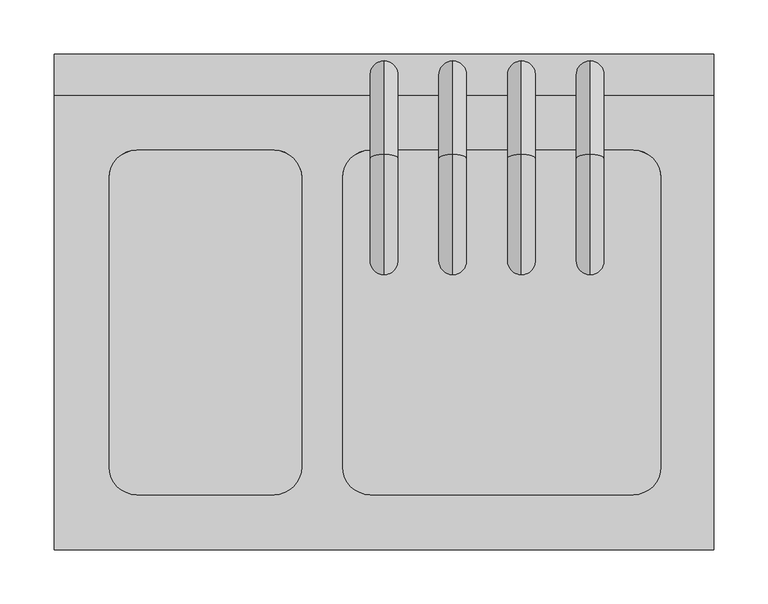
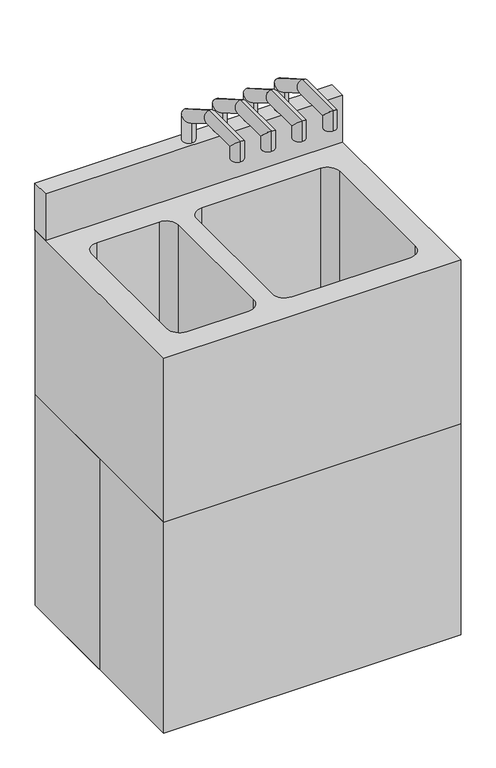
"""IFC4 building model written with IfcOpenShell, lengths in millimetres: proxy geometry."""

from ifc_helpers import new_model, si_unit, frame, origin, origin_with_axes, place, context, project, spatial, polyline, circle_curve, ellipse_curve, outline, extrude, source, transform, mapped, element, save
from ifc_brep_helpers import plane_surface, cylinder_surface, revolved_surface, advanced_brep


def specialty_equipment_0f6b3275(model_context):
    return source(origin(), model_context, "Body", "SolidModel", [
        advanced_brep(
        [(-101.6, 140.6728143, 517.8071162), (-228.6, 140.6728143, 517.8071162), (-254.0, 115.2728143, 517.8071162), (-254.0, -152.4, 517.8071162), (-228.6, -177.8, 517.8071162), (-101.6, -177.8, 517.8071162), (-76.2, -152.4, 517.8071162), (-76.2, 115.2728143, 517.8071162), (-101.6, 140.6728143, 812.8), (-228.6, 140.6728143, 812.8), (-254.0, 115.2728143, 812.8), (-254.0, -152.4, 812.8), (-228.6, -177.8, 812.8), (-101.6, -177.8, 812.8), (-76.2, -152.4, 812.8), (-76.2, 115.2728143, 812.8), (230.3536757, 140.6728143, 517.8071162), (-12.7, 140.6728143, 517.8071162), (-38.1, 115.2728143, 517.8071162), (-38.1, -152.4, 517.8071162), (-12.7, -177.8, 517.8071162), (230.3536757, -177.8, 517.8071162), (255.7536757, -152.4, 517.8071162), (255.7536757, 115.2728143, 517.8071162), (230.3536757, 140.6728143, 812.8), (-12.7, 140.6728143, 812.8), (-38.1, 115.2728143, 812.8), (-38.1, -152.4, 812.8), (-12.7, -177.8, 812.8), (230.3536757, -177.8, 812.8), (255.7536757, -152.4, 812.8), (255.7536757, 115.2728143, 812.8), (304.8, 228.6, 812.8), (-304.8, 228.6, 812.8), (-304.8, -228.6, 812.8), (304.8, -228.6, 812.8), (304.8, 228.6, 457.2), (304.8, -228.6, 457.2), (-304.8, -228.6, 457.2), (-304.8, 228.6, 457.2)],
        [
            (0, 1),
            (1, 2, circle_curve(frame((-228.6, 115.2728143, 517.8071162), z_axis=(0.0, 0.0, 1.0), x_axis=(1.0, 0.0, 0.0)), 25.4)),
            (2, 3),
            (3, 4, circle_curve(frame((-228.6, -152.4, 517.8071162), z_axis=(0.0, 0.0, 1.0), x_axis=(1.0, 0.0, 0.0)), 25.4)),
            (4, 5),
            (5, 6, circle_curve(frame((-101.6, -152.4, 517.8071162), z_axis=(0.0, 0.0, 1.0), x_axis=(1.0, 0.0, 0.0)), 25.4)),
            (6, 7),
            (7, 0, circle_curve(frame((-101.6, 115.2728143, 517.8071162), z_axis=(0.0, 0.0, 1.0), x_axis=(1.0, 0.0, 0.0)), 25.4)),
            (0, 8),
            (8, 9),
            (9, 1),
            (9, 10, circle_curve(frame((-228.6, 115.2728143, 812.8), z_axis=(0.0, 0.0, 1.0), x_axis=(1.0, 0.0, 0.0)), 25.4)),
            (10, 2),
            (10, 11),
            (11, 3),
            (11, 12, circle_curve(frame((-228.6, -152.4, 812.8), z_axis=(0.0, 0.0, 1.0), x_axis=(1.0, 0.0, 0.0)), 25.4)),
            (12, 4),
            (12, 13),
            (13, 5),
            (13, 14, circle_curve(frame((-101.6, -152.4, 812.8), z_axis=(0.0, 0.0, 1.0), x_axis=(1.0, 0.0, 0.0)), 25.4)),
            (14, 6),
            (14, 15),
            (15, 7),
            (15, 8, circle_curve(frame((-101.6, 115.2728143, 812.8), z_axis=(0.0, 0.0, 1.0), x_axis=(1.0, 0.0, 0.0)), 25.4)),
            (16, 17),
            (17, 18, circle_curve(frame((-12.7, 115.2728143, 517.8071162), z_axis=(0.0, 0.0, 1.0), x_axis=(1.0, 0.0, 0.0)), 25.4)),
            (18, 19),
            (19, 20, circle_curve(frame((-12.7, -152.4, 517.8071162), z_axis=(0.0, 0.0, 1.0), x_axis=(1.0, 0.0, 0.0)), 25.4)),
            (20, 21),
            (21, 22, circle_curve(frame((230.3536757, -152.4, 517.8071162), z_axis=(0.0, 0.0, 1.0), x_axis=(1.0, 0.0, 0.0)), 25.4)),
            (22, 23),
            (23, 16, circle_curve(frame((230.3536757, 115.2728143, 517.8071162), z_axis=(0.0, 0.0, 1.0), x_axis=(1.0, 0.0, 0.0)), 25.4)),
            (16, 24),
            (24, 25),
            (25, 17),
            (25, 26, circle_curve(frame((-12.7, 115.2728143, 812.8), z_axis=(0.0, 0.0, 1.0), x_axis=(1.0, 0.0, 0.0)), 25.4)),
            (26, 18),
            (26, 27),
            (27, 19),
            (27, 28, circle_curve(frame((-12.7, -152.4, 812.8), z_axis=(0.0, 0.0, 1.0), x_axis=(1.0, 0.0, 0.0)), 25.4)),
            (28, 20),
            (28, 29),
            (29, 21),
            (29, 30, circle_curve(frame((230.3536757, -152.4, 812.8), z_axis=(0.0, 0.0, 1.0), x_axis=(1.0, 0.0, 0.0)), 25.4)),
            (30, 22),
            (30, 31),
            (31, 23),
            (31, 24, circle_curve(frame((230.3536757, 115.2728143, 812.8), z_axis=(0.0, 0.0, 1.0), x_axis=(1.0, 0.0, 0.0)), 25.4)),
            (32, 33),
            (33, 34),
            (34, 35),
            (35, 32),
            (36, 37),
            (37, 38),
            (38, 39),
            (39, 36),
            (32, 36),
            (39, 33),
            (38, 34),
            (37, 35),
        ],
        [
            plane_surface(frame((-228.6, 140.6728143, 517.8071162), z_axis=(0.0, 0.0, 1.0), x_axis=(1.0, 0.0, 0.0))),
            plane_surface(frame((-101.6, 140.6728143, 812.8), z_axis=(0.0, -1.0, 0.0), x_axis=(0.0, 0.0, -1.0))),
            revolved_surface(polyline([(-203.2, 115.2728143, 812.8), (-203.2, 115.2728143, 517.8071162)]), (-228.6, 115.2728143, 517.8071162), (0.0, 0.0, 1.0)),
            plane_surface(frame((-254.0, 115.2728143, 812.8), z_axis=(1.0, 0.0, 0.0), x_axis=(0.0, 0.0, -1.0))),
            revolved_surface(polyline([(-203.2, -152.4, 812.8), (-203.2, -152.4, 517.8071162)]), (-228.6, -152.4, 517.8071162), (0.0, 0.0, 1.0)),
            plane_surface(frame((-228.6, -177.8, 812.8), z_axis=(0.0, 1.0, 0.0), x_axis=(0.0, 0.0, -1.0))),
            revolved_surface(polyline([(-76.19999999999999, -152.4, 812.8), (-76.19999999999999, -152.4, 517.8071162)]), (-101.6, -152.4, 517.8071162), (0.0, 0.0, 1.0)),
            plane_surface(frame((-76.2, -152.4, 812.8), z_axis=(-1.0, 0.0, 0.0), x_axis=(0.0, 0.0, -1.0))),
            revolved_surface(polyline([(-76.19999999999999, 115.2728143, 812.8), (-76.19999999999999, 115.2728143, 517.8071162)]), (-101.6, 115.2728143, 517.8071162), (0.0, 0.0, 1.0)),
            plane_surface(frame((-12.7, 140.6728143, 517.8071162), z_axis=(0.0, 0.0, 1.0), x_axis=(1.0, 0.0, 0.0))),
            plane_surface(frame((230.3536757, 140.6728143, 812.8), z_axis=(0.0, -1.0, 0.0), x_axis=(0.0, 0.0, -1.0))),
            revolved_surface(polyline([(12.7, 115.2728143, 812.8), (12.7, 115.2728143, 517.8071162)]), (-12.7, 115.2728143, 517.8071162), (0.0, 0.0, 1.0)),
            plane_surface(frame((-38.1, 115.2728143, 812.8), z_axis=(1.0, 0.0, 0.0), x_axis=(0.0, 0.0, -1.0))),
            revolved_surface(polyline([(12.7, -152.4, 812.8), (12.7, -152.4, 517.8071162)]), (-12.7, -152.4, 517.8071162), (0.0, 0.0, 1.0)),
            plane_surface(frame((-12.7, -177.8, 812.8), z_axis=(0.0, 1.0, 0.0), x_axis=(0.0, 0.0, -1.0))),
            revolved_surface(polyline([(255.7536757, -152.4, 812.8), (255.7536757, -152.4, 517.8071162)]), (230.3536757, -152.4, 517.8071162), (0.0, 0.0, 1.0)),
            plane_surface(frame((255.7536757, -152.4, 812.8), z_axis=(-1.0, 0.0, 0.0), x_axis=(0.0, 0.0, -1.0))),
            revolved_surface(polyline([(255.7536757, 115.2728143, 812.8), (255.7536757, 115.2728143, 517.8071162)]), (230.3536757, 115.2728143, 517.8071162), (0.0, 0.0, 1.0)),
            plane_surface(frame((-304.8, 228.6, 812.8), z_axis=(0.0, 0.0, 1.0), x_axis=(-1.0, 0.0, 0.0))),
            plane_surface(frame((-304.8, 228.6, 457.2), z_axis=(0.0, 0.0, -1.0), x_axis=(1.0, 0.0, 0.0))),
            plane_surface(frame((304.8, 228.6, 812.8), z_axis=(0.0, 1.0, 0.0), x_axis=(0.0, 0.0, -1.0))),
            plane_surface(frame((-304.8, 228.6, 812.8), z_axis=(-1.0, 0.0, 0.0), x_axis=(0.0, 0.0, -1.0))),
            plane_surface(frame((-304.8, -228.6, 812.8), z_axis=(0.0, -1.0, 0.0), x_axis=(0.0, 0.0, -1.0))),
            plane_surface(frame((304.8, -228.6, 812.8), z_axis=(1.0, 0.0, 0.0), x_axis=(0.0, 0.0, -1.0))),
        ],
        [
            (0, [[1, 2, 3, 4, 5, 6, 7, 8]]),
            (1, [[-1, 9, 10, 11]]),
            (2, [[-2, -11, 12, 13]]),
            (3, [[-3, -13, 14, 15]]),
            (4, [[-4, -15, 16, 17]]),
            (5, [[-5, -17, 18, 19]]),
            (6, [[-6, -19, 20, 21]]),
            (7, [[-7, -21, 22, 23]]),
            (8, [[-8, -23, 24, -9]]),
            (9, [[25, 26, 27, 28, 29, 30, 31, 32]]),
            (10, [[-25, 33, 34, 35]]),
            (11, [[-26, -35, 36, 37]]),
            (12, [[-27, -37, 38, 39]]),
            (13, [[-28, -39, 40, 41]]),
            (14, [[-29, -41, 42, 43]]),
            (15, [[-30, -43, 44, 45]]),
            (16, [[-31, -45, 46, 47]]),
            (17, [[-32, -47, 48, -33]]),
            (18, [[49, 50, 51, 52], [-10, -24, -22, -20, -18, -16, -14, -12], [-34, -48, -46, -44, -42, -40, -38, -36]]),
            (19, [[53, 54, 55, 56]]),
            (20, [[-49, 57, -56, 58]]),
            (21, [[-50, -58, -55, 59]]),
            (22, [[-51, -59, -54, 60]]),
            (23, [[-52, -60, -53, -57]]),
        ],
    ),
        advanced_brep(
        [(-304.8, 228.6, 736.6), (-304.8, 0.0, 736.6), (-304.8, -228.6, 736.6), (304.8, -228.6, 736.6), (304.8, 228.6, 736.6), (-228.6, 140.6728143, 736.6), (-101.6, 140.6728143, 736.6), (-76.2, 115.2728143, 736.6), (-76.2, -152.4, 736.6), (-101.6, -177.8, 736.6), (-228.6, -177.8, 736.6), (-254.0, -152.4, 736.6), (-254.0, 115.2728143, 736.6), (-12.7, 140.6728143, 736.6), (230.3536757, 140.6728143, 736.6), (255.7536757, 115.2728143, 736.6), (255.7536757, -152.4, 736.6), (230.3536757, -177.8, 736.6), (-12.7, -177.8, 736.6), (-38.1, -152.4, 736.6), (-38.1, 115.2728143, 736.6), (-304.8, 228.6, 0.0), (304.8, 228.6, 0.0), (304.8, -228.6, 0.0), (-304.8, -228.6, 0.0), (-304.8, 0.0, 0.0), (-101.6, 140.6728143, 517.8071162), (-228.6, 140.6728143, 517.8071162), (-254.0, 115.2728143, 517.8071162), (-254.0, -152.4, 517.8071162), (-228.6, -177.8, 517.8071162), (-101.6, -177.8, 517.8071162), (-76.2, -152.4, 517.8071162), (-76.2, 115.2728143, 517.8071162), (230.3536757, 140.6728143, 517.8071162), (-12.7, 140.6728143, 517.8071162), (-38.1, 115.2728143, 517.8071162), (-38.1, -152.4, 517.8071162), (-12.7, -177.8, 517.8071162), (230.3536757, -177.8, 517.8071162), (255.7536757, -152.4, 517.8071162), (255.7536757, 115.2728143, 517.8071162)],
        [
            (0, 1),
            (1, 2),
            (2, 3),
            (3, 4),
            (4, 0),
            (5, 6),
            (6, 7, circle_curve(frame((-101.6, 115.2728143, 736.6), z_axis=(0.0, 0.0, -1.0), x_axis=(1.0, 0.0, 0.0)), 25.4)),
            (7, 8),
            (8, 9, circle_curve(frame((-101.6, -152.4, 736.6), z_axis=(0.0, 0.0, -1.0), x_axis=(1.0, 0.0, 0.0)), 25.4)),
            (9, 10),
            (10, 11, circle_curve(frame((-228.6, -152.4, 736.6), z_axis=(0.0, 0.0, -1.0), x_axis=(1.0, 0.0, 0.0)), 25.4)),
            (11, 12),
            (12, 5, circle_curve(frame((-228.6, 115.2728143, 736.6), z_axis=(0.0, 0.0, -1.0), x_axis=(1.0, 0.0, 0.0)), 25.4)),
            (13, 14),
            (14, 15, circle_curve(frame((230.3536757, 115.2728143, 736.6), z_axis=(0.0, 0.0, -1.0), x_axis=(1.0, 0.0, 0.0)), 25.4)),
            (15, 16),
            (16, 17, circle_curve(frame((230.3536757, -152.4, 736.6), z_axis=(0.0, 0.0, -1.0), x_axis=(1.0, 0.0, 0.0)), 25.4)),
            (17, 18),
            (18, 19, circle_curve(frame((-12.7, -152.4, 736.6), z_axis=(0.0, 0.0, -1.0), x_axis=(1.0, 0.0, 0.0)), 25.4)),
            (19, 20),
            (20, 13, circle_curve(frame((-12.7, 115.2728143, 736.6), z_axis=(0.0, 0.0, -1.0), x_axis=(1.0, 0.0, 0.0)), 25.4)),
            (21, 22),
            (22, 23),
            (23, 24),
            (24, 25),
            (25, 21),
            (0, 21),
            (25, 1),
            (24, 2),
            (23, 3),
            (22, 4),
            (26, 27),
            (27, 28, circle_curve(frame((-228.6, 115.2728143, 517.8071162), z_axis=(0.0, 0.0, 1.0), x_axis=(1.0, 0.0, 0.0)), 25.4)),
            (28, 29),
            (29, 30, circle_curve(frame((-228.6, -152.4, 517.8071162), z_axis=(0.0, 0.0, 1.0), x_axis=(1.0, 0.0, 0.0)), 25.4)),
            (30, 31),
            (31, 32, circle_curve(frame((-101.6, -152.4, 517.8071162), z_axis=(0.0, 0.0, 1.0), x_axis=(1.0, 0.0, 0.0)), 25.4)),
            (32, 33),
            (33, 26, circle_curve(frame((-101.6, 115.2728143, 517.8071162), z_axis=(0.0, 0.0, 1.0), x_axis=(1.0, 0.0, 0.0)), 25.4)),
            (26, 6),
            (5, 27),
            (12, 28),
            (11, 29),
            (10, 30),
            (9, 31),
            (8, 32),
            (7, 33),
            (34, 35),
            (35, 36, circle_curve(frame((-12.7, 115.2728143, 517.8071162), z_axis=(0.0, 0.0, 1.0), x_axis=(1.0, 0.0, 0.0)), 25.4)),
            (36, 37),
            (37, 38, circle_curve(frame((-12.7, -152.4, 517.8071162), z_axis=(0.0, 0.0, 1.0), x_axis=(1.0, 0.0, 0.0)), 25.4)),
            (38, 39),
            (39, 40, circle_curve(frame((230.3536757, -152.4, 517.8071162), z_axis=(0.0, 0.0, 1.0), x_axis=(1.0, 0.0, 0.0)), 25.4)),
            (40, 41),
            (41, 34, circle_curve(frame((230.3536757, 115.2728143, 517.8071162), z_axis=(0.0, 0.0, 1.0), x_axis=(1.0, 0.0, 0.0)), 25.4)),
            (34, 14),
            (13, 35),
            (20, 36),
            (19, 37),
            (18, 38),
            (17, 39),
            (16, 40),
            (15, 41),
        ],
        [
            plane_surface(frame((-304.8, 0.0, 736.6), z_axis=(0.0, 0.0, 1.0), x_axis=(0.0, -1.0, 0.0))),
            plane_surface(frame((-304.8, 0.0, 0.0), z_axis=(0.0, 0.0, -1.0), x_axis=(0.0, 1.0, 0.0))),
            plane_surface(frame((-304.8, 228.6, 736.6), z_axis=(-1.0, 0.0, 0.0), x_axis=(0.0, 0.0, -1.0))),
            plane_surface(frame((-304.8, 0.0, 736.6), z_axis=(-1.0, 0.0, 0.0), x_axis=(0.0, 0.0, -1.0))),
            plane_surface(frame((-304.8, -228.6, 736.6), z_axis=(0.0, -1.0, 0.0), x_axis=(0.0, 0.0, -1.0))),
            plane_surface(frame((304.8, -228.6, 736.6), z_axis=(1.0, 0.0, 0.0), x_axis=(0.0, 0.0, -1.0))),
            plane_surface(frame((304.8, 228.6, 736.6), z_axis=(0.0, 1.0, 0.0), x_axis=(0.0, 0.0, -1.0))),
            plane_surface(frame((-228.6, 140.6728143, 517.8071162), z_axis=(0.0, 0.0, 1.0), x_axis=(1.0, 0.0, 0.0))),
            plane_surface(frame((-101.6, 140.6728143, 812.8), z_axis=(0.0, -1.0, 0.0), x_axis=(0.0, 0.0, -1.0))),
            revolved_surface(polyline([(-203.2, 115.2728143, 736.6), (-203.2, 115.2728143, 517.8071162)]), (-228.6, 115.2728143, 517.8071162), (0.0, 0.0, 1.0)),
            plane_surface(frame((-254.0, 115.2728143, 812.8), z_axis=(1.0, 0.0, 0.0), x_axis=(0.0, 0.0, -1.0))),
            revolved_surface(polyline([(-203.2, -152.4, 736.6), (-203.2, -152.4, 517.8071162)]), (-228.6, -152.4, 517.8071162), (0.0, 0.0, 1.0)),
            plane_surface(frame((-228.6, -177.8, 812.8), z_axis=(0.0, 1.0, 0.0), x_axis=(0.0, 0.0, -1.0))),
            revolved_surface(polyline([(-76.19999999999999, -152.4, 736.6), (-76.19999999999999, -152.4, 517.8071162)]), (-101.6, -152.4, 517.8071162), (0.0, 0.0, 1.0)),
            plane_surface(frame((-76.2, -152.4, 812.8), z_axis=(-1.0, 0.0, 0.0), x_axis=(0.0, 0.0, -1.0))),
            revolved_surface(polyline([(-76.19999999999999, 115.2728143, 736.6), (-76.19999999999999, 115.2728143, 517.8071162)]), (-101.6, 115.2728143, 517.8071162), (0.0, 0.0, 1.0)),
            plane_surface(frame((-12.7, 140.6728143, 517.8071162), z_axis=(0.0, 0.0, 1.0), x_axis=(1.0, 0.0, 0.0))),
            plane_surface(frame((230.3536757, 140.6728143, 812.8), z_axis=(0.0, -1.0, 0.0), x_axis=(0.0, 0.0, -1.0))),
            revolved_surface(polyline([(12.7, 115.2728143, 736.6), (12.7, 115.2728143, 517.8071162)]), (-12.7, 115.2728143, 517.8071162), (0.0, 0.0, 1.0)),
            plane_surface(frame((-38.1, 115.2728143, 812.8), z_axis=(1.0, 0.0, 0.0), x_axis=(0.0, 0.0, -1.0))),
            revolved_surface(polyline([(12.7, -152.4, 736.6), (12.7, -152.4, 517.8071162)]), (-12.7, -152.4, 517.8071162), (0.0, 0.0, 1.0)),
            plane_surface(frame((-12.7, -177.8, 812.8), z_axis=(0.0, 1.0, 0.0), x_axis=(0.0, 0.0, -1.0))),
            revolved_surface(polyline([(255.7536757, -152.4, 736.6), (255.7536757, -152.4, 517.8071162)]), (230.3536757, -152.4, 517.8071162), (0.0, 0.0, 1.0)),
            plane_surface(frame((255.7536757, -152.4, 812.8), z_axis=(-1.0, 0.0, 0.0), x_axis=(0.0, 0.0, -1.0))),
            revolved_surface(polyline([(255.7536757, 115.2728143, 736.6), (255.7536757, 115.2728143, 517.8071162)]), (230.3536757, 115.2728143, 517.8071162), (0.0, 0.0, 1.0)),
        ],
        [
            (0, [[1, 2, 3, 4, 5], [6, 7, 8, 9, 10, 11, 12, 13], [14, 15, 16, 17, 18, 19, 20, 21]]),
            (1, [[22, 23, 24, 25, 26]]),
            (2, [[-1, 27, -26, 28]]),
            (3, [[-2, -28, -25, 29]]),
            (4, [[-3, -29, -24, 30]]),
            (5, [[-4, -30, -23, 31]]),
            (6, [[-5, -31, -22, -27]]),
            (7, [[32, 33, 34, 35, 36, 37, 38, 39]]),
            (8, [[-32, 40, -6, 41]]),
            (9, [[-33, -41, -13, 42]]),
            (10, [[-34, -42, -12, 43]]),
            (11, [[-35, -43, -11, 44]]),
            (12, [[-36, -44, -10, 45]]),
            (13, [[-37, -45, -9, 46]]),
            (14, [[-38, -46, -8, 47]]),
            (15, [[-39, -47, -7, -40]]),
            (16, [[48, 49, 50, 51, 52, 53, 54, 55]]),
            (17, [[-48, 56, -14, 57]]),
            (18, [[-49, -57, -21, 58]]),
            (19, [[-50, -58, -20, 59]]),
            (20, [[-51, -59, -19, 60]]),
            (21, [[-52, -60, -18, 61]]),
            (22, [[-53, -61, -17, 62]]),
            (23, [[-54, -62, -16, 63]]),
            (24, [[-55, -63, -15, -56]]),
        ],
    ),
        advanced_brep(
        [(190.5, 223.2228143, 914.4), (190.5, 197.8228143, 914.4), (190.5, 223.2228143, 972.5323484), (190.5, 197.8228143, 957.8676516), (190.5, 136.9361106, 1022.35), (190.5, 130.1302011, 996.95), (190.5, 25.5831559, 1022.35), (190.5, 50.9831559, 996.95), (190.5, 25.5831559, 977.9), (190.5, 50.9831559, 977.9)],
        [
            (0, 1, circle_curve(frame((190.5, 210.5228143, 914.4), z_axis=(0.0, 0.0, -1.0), x_axis=(0.0, -1.0, 0.0)), 12.7)),
            (1, 0, circle_curve(frame((190.5, 210.5228143, 914.4), z_axis=(0.0, 0.0, -1.0), x_axis=(0.0, -1.0, 0.0)), 12.7)),
            (0, 2),
            (2, 3, ellipse_curve(frame((190.5, 210.5228143, 965.2), z_axis=(0.0, 0.4999999999999985, -0.8660254037844396), x_axis=(0.0, -0.8660254037844398, -0.4999999999999982)), 14.6646968, 12.7)),
            (3, 1),
            (3, 2, ellipse_curve(frame((190.5, 210.5228143, 965.2), z_axis=(0.0, 0.4999999999999985, -0.8660254037844396), x_axis=(0.0, -0.8660254037844398, -0.4999999999999982)), 14.6646968, 12.7)),
            (2, 4),
            (4, 5, ellipse_curve(frame((190.5, 133.5331559, 1009.65), z_axis=(0.0, 0.9659258262890676, -0.2588190451025233), x_axis=(0.0, -0.25881904510252374, -0.9659258262890675)), 13.1480075, 12.7)),
            (5, 3),
            (5, 4, ellipse_curve(frame((190.5, 133.5331559, 1009.65), z_axis=(0.0, 0.9659258262890676, -0.2588190451025233), x_axis=(0.0, -0.25881904510252374, -0.9659258262890675)), 13.1480075, 12.7)),
            (4, 6),
            (6, 7, ellipse_curve(frame((190.5, 38.2831559, 1009.65), z_axis=(0.0, 0.7071067811865495, 0.7071067811865456), x_axis=(0.0, 0.7071067811865456, -0.7071067811865493)), 17.9605122, 12.7)),
            (7, 5),
            (7, 6, ellipse_curve(frame((190.5, 38.2831559, 1009.65), z_axis=(0.0, 0.7071067811865495, 0.7071067811865456), x_axis=(0.0, 0.7071067811865456, -0.7071067811865493)), 17.9605122, 12.7)),
            (8, 9, circle_curve(frame((190.5, 38.2831559, 977.9), z_axis=(0.0, 0.0, -1.0), x_axis=(0.0, 1.0, 0.0)), 12.7)),
            (9, 8, circle_curve(frame((190.5, 38.2831559, 977.9), z_axis=(0.0, 0.0, -1.0), x_axis=(0.0, 1.0, 0.0)), 12.7)),
            (6, 8),
            (9, 7),
        ],
        [
            plane_surface(frame((190.5, 210.5228143, 914.4), z_axis=(0.0, 0.0, -1.0), x_axis=(1.0, 0.0, 0.0))),
            cylinder_surface(frame((190.5, 210.5228143, 914.4), z_axis=(0.0, 0.0, -1.0), x_axis=(0.0, -1.0, 0.0)), 12.7),
            cylinder_surface(frame((190.5, 210.5228143, 965.2), z_axis=(0.0, 0.8660254037844376, -0.500000000000002), x_axis=(0.0, -0.500000000000002, -0.8660254037844376)), 12.7),
            cylinder_surface(frame((190.5, 133.5331559, 1009.65), z_axis=(0.0, 1.0, 0.0), x_axis=(0.0, 0.0, -1.0)), 12.7),
            plane_surface(frame((190.5, 38.2831559, 977.9), z_axis=(0.0, 0.0, -1.0), x_axis=(1.0, 0.0, 0.0))),
            cylinder_surface(frame((190.5, 38.2831559, 1009.65), z_axis=(0.0, 0.0, 1.0), x_axis=(0.0, 1.0, 0.0)), 12.7),
        ],
        [
            (0, [[1, 2]]),
            (1, [[-1, 3, 4, 5]]),
            (1, [[-2, -5, 6, -3]]),
            (2, [[-4, 7, 8, 9]]),
            (2, [[-6, -9, 10, -7]]),
            (3, [[-8, 11, 12, 13]]),
            (3, [[-10, -13, 14, -11]]),
            (4, [[15, 16]]),
            (5, [[-12, 17, -16, 18]]),
            (5, [[-14, -18, -15, -17]]),
        ],
    ),
        advanced_brep(
        [(127.0, 223.2228143, 914.4), (127.0, 197.8228143, 914.4), (127.0, 223.2228143, 972.5323484), (127.0, 197.8228143, 957.8676516), (127.0, 136.9361106, 1022.35), (127.0, 130.1302011, 996.95), (127.0, 25.5831559, 1022.35), (127.0, 50.9831559, 996.95), (127.0, 25.5831559, 977.9), (127.0, 50.9831559, 977.9)],
        [
            (0, 1, circle_curve(frame((127.0, 210.5228143, 914.4), z_axis=(0.0, 0.0, -1.0), x_axis=(0.0, -1.0, 0.0)), 12.7)),
            (1, 0, circle_curve(frame((127.0, 210.5228143, 914.4), z_axis=(0.0, 0.0, -1.0), x_axis=(0.0, -1.0, 0.0)), 12.7)),
            (0, 2),
            (2, 3, ellipse_curve(frame((127.0, 210.5228143, 965.2), z_axis=(0.0, 0.4999999999999985, -0.8660254037844396), x_axis=(0.0, -0.8660254037844398, -0.4999999999999982)), 14.6646968, 12.7)),
            (3, 1),
            (3, 2, ellipse_curve(frame((127.0, 210.5228143, 965.2), z_axis=(0.0, 0.4999999999999985, -0.8660254037844396), x_axis=(0.0, -0.8660254037844398, -0.4999999999999982)), 14.6646968, 12.7)),
            (2, 4),
            (4, 5, ellipse_curve(frame((127.0, 133.5331559, 1009.65), z_axis=(0.0, 0.9659258262890676, -0.2588190451025233), x_axis=(0.0, -0.25881904510252374, -0.9659258262890675)), 13.1480075, 12.7)),
            (5, 3),
            (5, 4, ellipse_curve(frame((127.0, 133.5331559, 1009.65), z_axis=(0.0, 0.9659258262890676, -0.2588190451025233), x_axis=(0.0, -0.25881904510252374, -0.9659258262890675)), 13.1480075, 12.7)),
            (4, 6),
            (6, 7, ellipse_curve(frame((127.0, 38.2831559, 1009.65), z_axis=(0.0, 0.7071067811865495, 0.7071067811865456), x_axis=(0.0, 0.7071067811865456, -0.7071067811865493)), 17.9605122, 12.7)),
            (7, 5),
            (7, 6, ellipse_curve(frame((127.0, 38.2831559, 1009.65), z_axis=(0.0, 0.7071067811865495, 0.7071067811865456), x_axis=(0.0, 0.7071067811865456, -0.7071067811865493)), 17.9605122, 12.7)),
            (8, 9, circle_curve(frame((127.0, 38.2831559, 977.9), z_axis=(0.0, 0.0, -1.0), x_axis=(0.0, 1.0, 0.0)), 12.7)),
            (9, 8, circle_curve(frame((127.0, 38.2831559, 977.9), z_axis=(0.0, 0.0, -1.0), x_axis=(0.0, 1.0, 0.0)), 12.7)),
            (6, 8),
            (9, 7),
        ],
        [
            plane_surface(frame((127.0, 210.5228143, 914.4), z_axis=(0.0, 0.0, -1.0), x_axis=(1.0, 0.0, 0.0))),
            cylinder_surface(frame((127.0, 210.5228143, 914.4), z_axis=(0.0, 0.0, -1.0), x_axis=(0.0, -1.0, 0.0)), 12.7),
            cylinder_surface(frame((127.0, 210.5228143, 965.2), z_axis=(0.0, 0.8660254037844376, -0.500000000000002), x_axis=(0.0, -0.500000000000002, -0.8660254037844376)), 12.7),
            cylinder_surface(frame((127.0, 133.5331559, 1009.65), z_axis=(0.0, 1.0, 0.0), x_axis=(0.0, 0.0, -1.0)), 12.7),
            plane_surface(frame((127.0, 38.2831559, 977.9), z_axis=(0.0, 0.0, -1.0), x_axis=(1.0, 0.0, 0.0))),
            cylinder_surface(frame((127.0, 38.2831559, 1009.65), z_axis=(0.0, 0.0, 1.0), x_axis=(0.0, 1.0, 0.0)), 12.7),
        ],
        [
            (0, [[1, 2]]),
            (1, [[-1, 3, 4, 5]]),
            (1, [[-2, -5, 6, -3]]),
            (2, [[-4, 7, 8, 9]]),
            (2, [[-6, -9, 10, -7]]),
            (3, [[-8, 11, 12, 13]]),
            (3, [[-10, -13, 14, -11]]),
            (4, [[15, 16]]),
            (5, [[-12, 17, -16, 18]]),
            (5, [[-14, -18, -15, -17]]),
        ],
    ),
        advanced_brep(
        [(63.5, 223.2228143, 914.4), (63.5, 197.8228143, 914.4), (63.5, 223.2228143, 972.5323484), (63.5, 197.8228143, 957.8676516), (63.5, 136.9361106, 1022.35), (63.5, 130.1302011, 996.95), (63.5, 25.5831559, 1022.35), (63.5, 50.9831559, 996.95), (63.5, 25.5831559, 977.9), (63.5, 50.9831559, 977.9)],
        [
            (0, 1, circle_curve(frame((63.5, 210.5228143, 914.4), z_axis=(0.0, 0.0, -1.0), x_axis=(0.0, -1.0, 0.0)), 12.7)),
            (1, 0, circle_curve(frame((63.5, 210.5228143, 914.4), z_axis=(0.0, 0.0, -1.0), x_axis=(0.0, -1.0, 0.0)), 12.7)),
            (0, 2),
            (2, 3, ellipse_curve(frame((63.5, 210.5228143, 965.2), z_axis=(0.0, 0.4999999999999985, -0.8660254037844396), x_axis=(0.0, -0.8660254037844398, -0.4999999999999982)), 14.6646968, 12.7)),
            (3, 1),
            (3, 2, ellipse_curve(frame((63.5, 210.5228143, 965.2), z_axis=(0.0, 0.4999999999999985, -0.8660254037844396), x_axis=(0.0, -0.8660254037844398, -0.4999999999999982)), 14.6646968, 12.7)),
            (2, 4),
            (4, 5, ellipse_curve(frame((63.5, 133.5331559, 1009.65), z_axis=(0.0, 0.9659258262890676, -0.2588190451025233), x_axis=(0.0, -0.25881904510252374, -0.9659258262890675)), 13.1480075, 12.7)),
            (5, 3),
            (5, 4, ellipse_curve(frame((63.5, 133.5331559, 1009.65), z_axis=(0.0, 0.9659258262890676, -0.2588190451025233), x_axis=(0.0, -0.25881904510252374, -0.9659258262890675)), 13.1480075, 12.7)),
            (4, 6),
            (6, 7, ellipse_curve(frame((63.5, 38.2831559, 1009.65), z_axis=(0.0, 0.7071067811865495, 0.7071067811865456), x_axis=(0.0, 0.7071067811865456, -0.7071067811865493)), 17.9605122, 12.7)),
            (7, 5),
            (7, 6, ellipse_curve(frame((63.5, 38.2831559, 1009.65), z_axis=(0.0, 0.7071067811865495, 0.7071067811865456), x_axis=(0.0, 0.7071067811865456, -0.7071067811865493)), 17.9605122, 12.7)),
            (8, 9, circle_curve(frame((63.5, 38.2831559, 977.9), z_axis=(0.0, 0.0, -1.0), x_axis=(0.0, 1.0, 0.0)), 12.7)),
            (9, 8, circle_curve(frame((63.5, 38.2831559, 977.9), z_axis=(0.0, 0.0, -1.0), x_axis=(0.0, 1.0, 0.0)), 12.7)),
            (6, 8),
            (9, 7),
        ],
        [
            plane_surface(frame((63.5, 210.5228143, 914.4), z_axis=(0.0, 0.0, -1.0), x_axis=(1.0, 0.0, 0.0))),
            cylinder_surface(frame((63.5, 210.5228143, 914.4), z_axis=(0.0, 0.0, -1.0), x_axis=(0.0, -1.0, 0.0)), 12.7),
            cylinder_surface(frame((63.5, 210.5228143, 965.2), z_axis=(0.0, 0.8660254037844376, -0.500000000000002), x_axis=(0.0, -0.500000000000002, -0.8660254037844376)), 12.7),
            cylinder_surface(frame((63.5, 133.5331559, 1009.65), z_axis=(0.0, 1.0, 0.0), x_axis=(0.0, 0.0, -1.0)), 12.7),
            plane_surface(frame((63.5, 38.2831559, 977.9), z_axis=(0.0, 0.0, -1.0), x_axis=(1.0, 0.0, 0.0))),
            cylinder_surface(frame((63.5, 38.2831559, 1009.65), z_axis=(0.0, 0.0, 1.0), x_axis=(0.0, 1.0, 0.0)), 12.7),
        ],
        [
            (0, [[1, 2]]),
            (1, [[-1, 3, 4, 5]]),
            (1, [[-2, -5, 6, -3]]),
            (2, [[-4, 7, 8, 9]]),
            (2, [[-6, -9, 10, -7]]),
            (3, [[-8, 11, 12, 13]]),
            (3, [[-10, -13, 14, -11]]),
            (4, [[15, 16]]),
            (5, [[-12, 17, -16, 18]]),
            (5, [[-14, -18, -15, -17]]),
        ],
    ),
        advanced_brep(
        [(0.0, 223.2228143, 914.4), (0.0, 197.8228143, 914.4), (0.0, 223.2228143, 972.5323484), (0.0, 197.8228143, 957.8676516), (0.0, 136.9361106, 1022.35), (0.0, 130.1302011, 996.95), (0.0, 25.5831559, 1022.35), (0.0, 50.9831559, 996.95), (0.0, 25.5831559, 977.9), (0.0, 50.9831559, 977.9)],
        [
            (0, 1, circle_curve(frame((0.0, 210.5228143, 914.4), z_axis=(0.0, 0.0, -1.0), x_axis=(0.0, -1.0, 0.0)), 12.7)),
            (1, 0, circle_curve(frame((0.0, 210.5228143, 914.4), z_axis=(0.0, 0.0, -1.0), x_axis=(0.0, -1.0, 0.0)), 12.7)),
            (0, 2),
            (2, 3, ellipse_curve(frame((0.0, 210.5228143, 965.2), z_axis=(0.0, 0.4999999999999985, -0.8660254037844396), x_axis=(0.0, -0.8660254037844398, -0.4999999999999982)), 14.6646968, 12.7)),
            (3, 1),
            (3, 2, ellipse_curve(frame((0.0, 210.5228143, 965.2), z_axis=(0.0, 0.4999999999999985, -0.8660254037844396), x_axis=(0.0, -0.8660254037844398, -0.4999999999999982)), 14.6646968, 12.7)),
            (2, 4),
            (4, 5, ellipse_curve(frame((0.0, 133.5331559, 1009.65), z_axis=(0.0, 0.9659258262890676, -0.2588190451025233), x_axis=(0.0, -0.25881904510252374, -0.9659258262890675)), 13.1480075, 12.7)),
            (5, 3),
            (5, 4, ellipse_curve(frame((0.0, 133.5331559, 1009.65), z_axis=(0.0, 0.9659258262890676, -0.2588190451025233), x_axis=(0.0, -0.25881904510252374, -0.9659258262890675)), 13.1480075, 12.7)),
            (4, 6),
            (6, 7, ellipse_curve(frame((0.0, 38.2831559, 1009.65), z_axis=(0.0, 0.7071067811865495, 0.7071067811865456), x_axis=(0.0, 0.7071067811865456, -0.7071067811865493)), 17.9605122, 12.7)),
            (7, 5),
            (7, 6, ellipse_curve(frame((0.0, 38.2831559, 1009.65), z_axis=(0.0, 0.7071067811865495, 0.7071067811865456), x_axis=(0.0, 0.7071067811865456, -0.7071067811865493)), 17.9605122, 12.7)),
            (8, 9, circle_curve(frame((0.0, 38.2831559, 977.9), z_axis=(0.0, 0.0, -1.0), x_axis=(0.0, 1.0, 0.0)), 12.7)),
            (9, 8, circle_curve(frame((0.0, 38.2831559, 977.9), z_axis=(0.0, 0.0, -1.0), x_axis=(0.0, 1.0, 0.0)), 12.7)),
            (6, 8),
            (9, 7),
        ],
        [
            plane_surface(frame((0.0, 210.5228143, 914.4), z_axis=(0.0, 0.0, -1.0), x_axis=(1.0, 0.0, 0.0))),
            cylinder_surface(frame((0.0, 210.5228143, 914.4), z_axis=(0.0, 0.0, -1.0), x_axis=(0.0, -1.0, 0.0)), 12.7),
            cylinder_surface(frame((0.0, 210.5228143, 965.2), z_axis=(0.0, 0.8660254037844376, -0.500000000000002), x_axis=(0.0, -0.500000000000002, -0.8660254037844376)), 12.7),
            cylinder_surface(frame((0.0, 133.5331559, 1009.65), z_axis=(0.0, 1.0, 0.0), x_axis=(0.0, 0.0, -1.0)), 12.7),
            plane_surface(frame((0.0, 38.2831559, 977.9), z_axis=(0.0, 0.0, -1.0), x_axis=(1.0, 0.0, 0.0))),
            cylinder_surface(frame((0.0, 38.2831559, 1009.65), z_axis=(0.0, 0.0, 1.0), x_axis=(0.0, 1.0, 0.0)), 12.7),
        ],
        [
            (0, [[1, 2]]),
            (1, [[-1, 3, 4, 5]]),
            (1, [[-2, -5, 6, -3]]),
            (2, [[-4, 7, 8, 9]]),
            (2, [[-6, -9, 10, -7]]),
            (3, [[-8, 11, 12, 13]]),
            (3, [[-10, -13, 14, -11]]),
            (4, [[15, 16]]),
            (5, [[-12, 17, -16, 18]]),
            (5, [[-14, -18, -15, -17]]),
        ],
    ),
        extrude(outline(polyline([(304.8, 229.5728143), (304.8, 191.4728143), (-304.8, 191.4728143), (-304.8, 229.5728143), (304.8, 229.5728143)])), frame((0.0, 0.0, 812.8), z_axis=(0.0, 0.0, 1.0), x_axis=(1.0, 0.0, 0.0)), (0.0, 0.0, 1.0), 101.6),
        extrude(outline(polyline([(304.8, 228.6), (304.8, -228.6), (-304.8, -228.6), (-304.8, 228.6), (304.8, 228.6)])), origin_with_axes(), (0.0, 0.0, 1.0), 457.2),
    ])


if __name__ == "__main__":
    model = new_model("IFC4")
    model_context = context("Model", 3, world=origin())
    ifc_project = project(units=[si_unit("LENGTHUNIT", "METRE", prefix="MILLI")], contexts=[model_context])
    site = spatial("IfcSite", under=ifc_project)
    building = spatial("IfcBuilding", under=site)
    placement = place(None, origin())
    specialty_equipment_shape = specialty_equipment_0f6b3275(model_context)
    element("IfcBuildingElementProxy", 1, Name="Specialty Equipment", at=placement, inside=building, context=model_context, shape_type="MappedRepresentation", body=[
        mapped(specialty_equipment_shape, transform((0.0, 0.0, 0.0), x_axis=(1.0, 0.0, 0.0), y_axis=(0.0, 1.0, 0.0), z_axis=(0.0, 0.0, 1.0))),
    ])
    save(model, "model.ifc")
